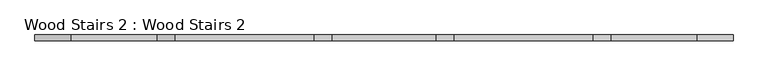
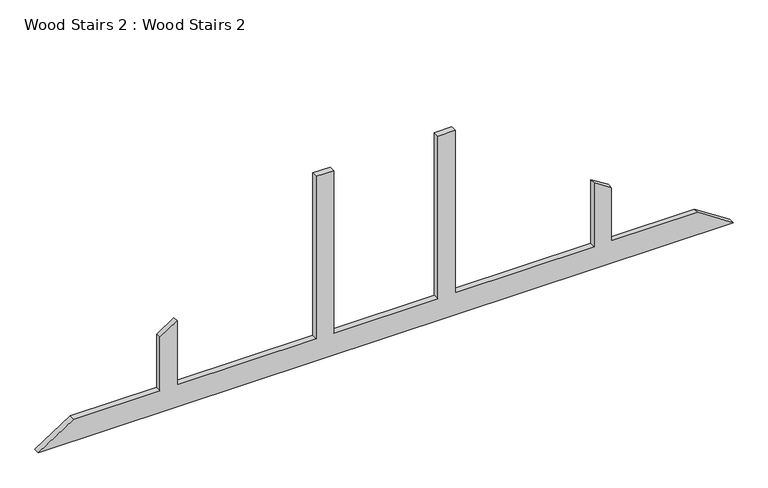
"""IFC4 building model written with IfcOpenShell, lengths in millimetres: proxy geometry, Wood Stairs 2 : Wood Stairs 2."""

from ifc_helpers import new_model, si_unit, frame, origin, place, context, project, spatial, polyline, outline, extrude, source, transform, mapped, element, save


def wood_stairs_2_wood_stairs_2_7b493660(model_context):
    return source(origin(), model_context, "Body", "SweptSolid", [
        extrude(outline(polyline([(203.2, 260699.067629), (203.2, 259479.867629), (795.8666667, 259479.867629), (696.3833333, 259327.467629), (203.2, 259327.467629), (203.2, 258571.9527354), (0.0, 258260.667629), (0.0, 264356.667629), (203.2, 264045.3825226), (203.2, 263289.867629), (696.3833333, 263289.867629), (795.8666667, 263137.467629), (203.2, 263137.467629), (203.2, 261918.267629), (1710.2666667, 261918.267629), (1710.2666667, 261765.867629), (203.2, 261765.867629), (203.2, 260851.467629), (1710.2666667, 260851.467629), (1710.2666667, 260699.067629), (203.2, 260699.067629)])), frame((0.0, -46431.8577581, 0.0), z_axis=(0.0, 1.0, 0.0), x_axis=(0.0, 0.0, 1.0)), (0.0, 0.0, 1.0), 50.8),
    ])


if __name__ == "__main__":
    model = new_model("IFC4")
    model_context = context("Model", 3, world=origin())
    ifc_project = project(units=[si_unit("LENGTHUNIT", "METRE", prefix="MILLI")], contexts=[model_context])
    site = spatial("IfcSite", under=ifc_project)
    building = spatial("IfcBuilding", under=site)
    placement = place(None, origin())
    wood_stairs_2_wood_stairs_2_shape = wood_stairs_2_wood_stairs_2_7b493660(model_context)
    element("IfcBuildingElementProxy", 1, Name="Wood Stairs 2 : Wood Stairs 2", ObjectType="Wood Stairs 2 : Wood Stairs 2", at=placement, inside=building, context=model_context, shape_type="MappedRepresentation", body=[
        mapped(wood_stairs_2_wood_stairs_2_shape, transform((0.0, 0.0, 0.0), x_axis=(1.0, 0.0, 0.0), y_axis=(0.0, 1.0, 0.0), z_axis=(0.0, 0.0, 1.0))),
    ])
    save(model, "model.ifc")
